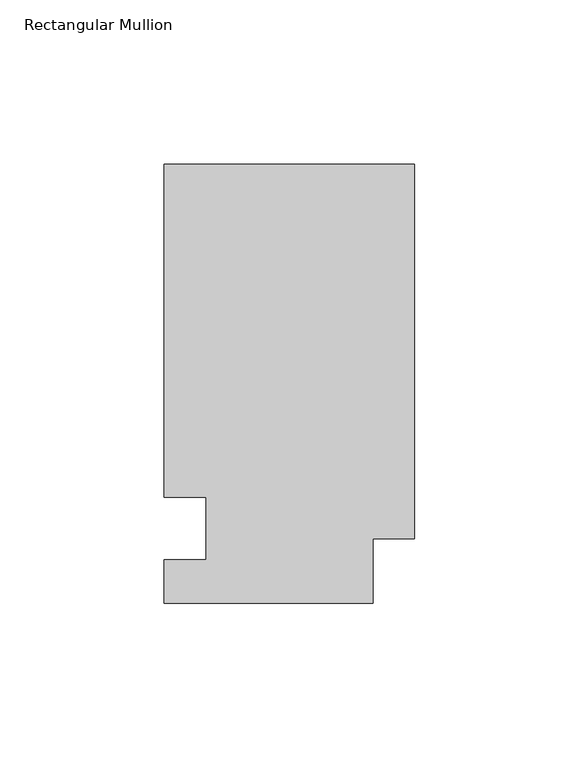
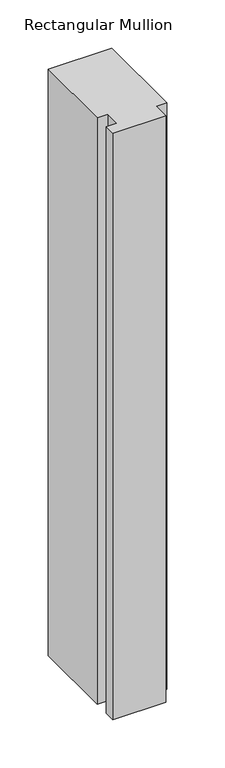
"""IFC4 building model written with IfcOpenShell, lengths in millimetres: member geometry, Rectangular Mullion."""

from ifc_helpers import new_model, si_unit, frame, origin, place, context, project, spatial, polyline, outline, extrude, source, transform, mapped, element, save


def rectangular_mullion_4410f7ee(model_context):
    return source(origin(), model_context, "Body", "SweptSolid", [
        extrude(outline(polyline([(0.0, 133.4396938), (0.0, 19.5460937), (-12.7, 19.5460937), (-12.7, 0.0134937), (-76.2, 0.0134937), (-76.2, 13.1960937), (-63.5, 13.1960937), (-63.5, 32.2460938), (-76.2, 32.2460937), (-76.2, 133.4396938), (0.0, 133.4396938)])), frame((0.0, 0.0, -742.0477822), z_axis=(0.0, 0.0, 1.0), x_axis=(1.0, 0.0, 0.0)), (0.0, 0.0, 1.0), 742.0477822),
    ])


if __name__ == "__main__":
    model = new_model("IFC4")
    model_context = context("Model", 3, world=origin())
    ifc_project = project(units=[si_unit("LENGTHUNIT", "METRE", prefix="MILLI")], contexts=[model_context])
    site = spatial("IfcSite", under=ifc_project)
    building = spatial("IfcBuilding", under=site)
    placement = place(None, origin())
    rectangular_mullion_shape = rectangular_mullion_4410f7ee(model_context)
    element("IfcMember", 1, ObjectType="Rectangular Mullion", at=placement, inside=building, context=model_context, shape_type="MappedRepresentation", body=[
        mapped(rectangular_mullion_shape, transform((0.0, 0.0, 0.0), x_axis=(1.0, 0.0, 0.0), y_axis=(0.0, 1.0, 0.0), z_axis=(0.0, 0.0, 1.0))),
    ])
    save(model, "model.ifc")
